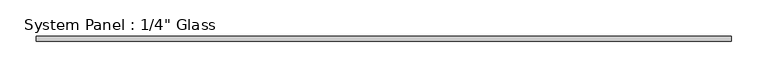
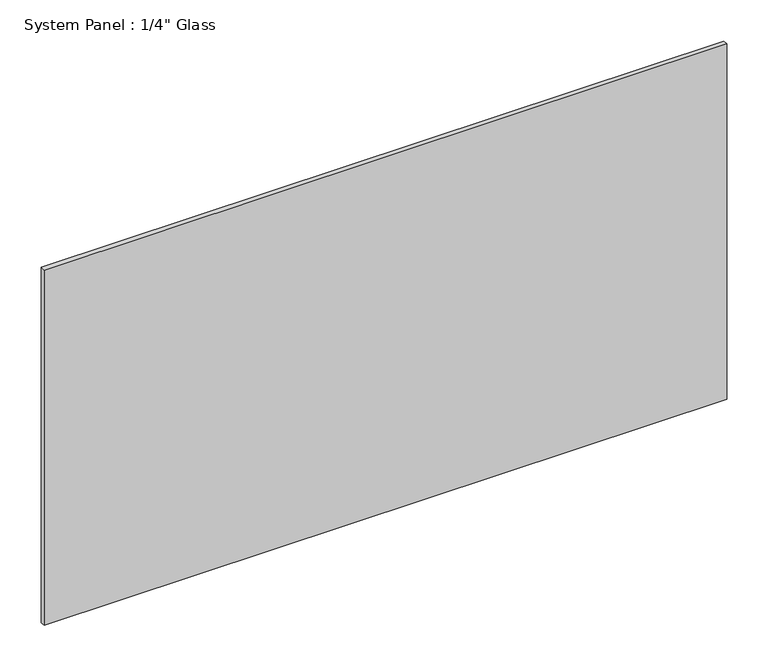
"""IFC4 building model written with IfcOpenShell, lengths in millimetres: plate geometry."""

import ifcopenshell
import ifcopenshell.guid

model = None  # the IFC model being written
_history = None  # IfcOwnerHistory: only IFC2X3 demands one
_inside = {}  # id of a spatial element -> (the spatial element, [elements in it])
_under = {}  # id of a project, library or spatial element -> (it, [spatial elements below it])
_declared = {}  # id of a project -> (the project, [libraries it declares])
_typed = {}  # id of a type object -> (the type object, [elements of that type])
_made_of = {}  # id of a material, layer set ... -> (it, [elements and type objects made of it])


def new_model(schema):
    """Start an empty IFC model of exactly this schema.

    Asked for "IFC4X3", IfcOpenShell would pick the latest addendum, in which some entities
    have other attributes; the version numbers below select the first issue.
    IFC2X3 requires an IfcOwnerHistory on every rooted entity: one is made here for all.
    """
    global model, _history
    if schema == "IFC4X3":
        model = ifcopenshell.file(schema_version=(4, 3, 0, 0))
    else:
        model = ifcopenshell.file(schema=schema)
    _inside.clear()
    _under.clear()
    _declared.clear()
    _typed.clear()
    _made_of.clear()
    _history = None
    if model.schema == "IFC2X3":
        org = make("IfcOrganization", Name="unknown")
        user = make(
            "IfcPersonAndOrganization",
            ThePerson=make("IfcPerson", FamilyName="unknown"),
            TheOrganization=org,
        )
        app = make(
            "IfcApplication",
            ApplicationDeveloper=org,
            Version="unknown",
            ApplicationFullName="unknown",
            ApplicationIdentifier="unknown",
        )
        _history = make(
            "IfcOwnerHistory",
            OwningUser=user,
            OwningApplication=app,
            ChangeAction="ADDED",
            CreationDate=0,
        )
    return model


def make(cls, **values):
    """One entity of the class cls with the attributes given. An attribute that is None is left unset."""
    return model.create_entity(
        cls, **{name: value for name, value in values.items() if value is not None}
    )


def rooted(cls, **values):
    """An entity with a GlobalId (a new one), such as an element, a storey or a relation."""
    return make(cls, GlobalId=ifcopenshell.guid.new(), OwnerHistory=_history, **values)


def si_unit(unit_type, name, prefix=None):
    """IfcSIUnit, for example si_unit("LENGTHUNIT", "METRE", prefix="MILLI")."""
    return make("IfcSIUnit", UnitType=unit_type, Prefix=prefix, Name=name)


def assignment(units):
    """IfcUnitAssignment: the units of a project."""
    return None if units is None else make("IfcUnitAssignment", Units=units)


def point(xyz):
    """IfcCartesianPoint."""
    return None if xyz is None else make("IfcCartesianPoint", Coordinates=xyz)


def direction(xyz):
    """IfcDirection."""
    return None if xyz is None else make("IfcDirection", DirectionRatios=xyz)


def frame(location, z_axis=None, x_axis=None):
    """IfcAxis2Placement3D, a coordinate frame: its origin and axes. An axis left out is left unset."""
    return make(
        "IfcAxis2Placement3D",
        Location=point(location),
        Axis=direction(z_axis),
        RefDirection=direction(x_axis),
    )


def origin():
    """The frame at (0, 0, 0) with its axes left unset."""
    return frame((0.0, 0.0, 0.0))


def origin_with_axes():
    """The frame at (0, 0, 0) with the z axis (0, 0, 1) and the x axis (1, 0, 0) written out."""
    return frame((0.0, 0.0, 0.0), z_axis=(0.0, 0.0, 1.0), x_axis=(1.0, 0.0, 0.0))


def place(relative_to, where):
    """IfcLocalPlacement: puts the frame where relative to a parent placement (None: the world)."""
    return make(
        "IfcLocalPlacement", PlacementRelTo=relative_to, RelativePlacement=where
    )


def context(
    kind, dimensions, precision=None, world=None, true_north=None, identifier=None
):
    """IfcGeometricRepresentationContext, for example the 3D "Model" context."""
    return make(
        "IfcGeometricRepresentationContext",
        ContextIdentifier=identifier,
        ContextType=kind,
        CoordinateSpaceDimension=dimensions,
        Precision=precision,
        WorldCoordinateSystem=world,
        TrueNorth=true_north,
    )


def project(units=None, contexts=None):
    """IfcProject with its units and contexts."""
    return rooted(
        "IfcProject",
        Name="project",
        RepresentationContexts=contexts,
        UnitsInContext=assignment(units),
    )


def spatial(cls, under=None, at=None, **own):
    """A site, building, storey or space (cls), placed at a placement, below another one or the project."""
    s = rooted(cls, ObjectPlacement=at, **own)
    if under is not None:
        _under.setdefault(under.id(), (under, []))[1].append(s)
    return s


def polyline(points):
    """IfcPolyline through the points."""
    return make("IfcPolyline", Points=[point(p) for p in points])


def outline(outer, holes=None, kind="AREA"):
    """IfcArbitraryClosedProfileDef: a profile drawn as a closed curve; with holes, ...WithVoids."""
    if holes is None:
        return make("IfcArbitraryClosedProfileDef", ProfileType=kind, OuterCurve=outer)
    return make(
        "IfcArbitraryProfileDefWithVoids",
        ProfileType=kind,
        OuterCurve=outer,
        InnerCurves=holes,
    )


def extrude(swept, where, along, depth):
    """IfcExtrudedAreaSolid: the profile swept, set in the frame where, extruded along a direction by depth."""
    return make(
        "IfcExtrudedAreaSolid",
        SweptArea=swept,
        Position=where,
        ExtrudedDirection=direction(along),
        Depth=depth,
    )


def shape(context_of_items, identifier, shape_type, items):
    """IfcShapeRepresentation: the items that make up one representation, for example the "Body"."""
    return make(
        "IfcShapeRepresentation",
        ContextOfItems=context_of_items,
        RepresentationIdentifier=identifier,
        RepresentationType=shape_type,
        Items=items,
    )


def source(mapping_origin, context_of_items, identifier, shape_type, items):
    """IfcRepresentationMap: a shape defined once, which mapped items show again and again."""
    return make(
        "IfcRepresentationMap",
        MappingOrigin=mapping_origin,
        MappedRepresentation=shape(context_of_items, identifier, shape_type, items),
    )


def transform(
    local_origin,
    x_axis=None,
    y_axis=None,
    z_axis=None,
    scale=None,
    scale2=None,
    scale3=None,
    uniform=True,
):
    """IfcCartesianTransformationOperator3D, or its non-uniform kind. x_axis, y_axis, z_axis: its Axis1, 2, 3."""
    if uniform:
        return make(
            "IfcCartesianTransformationOperator3D",
            Axis1=direction(x_axis),
            Axis2=direction(y_axis),
            LocalOrigin=point(local_origin),
            Scale=scale,
            Axis3=direction(z_axis),
        )
    return make(
        "IfcCartesianTransformationOperator3DnonUniform",
        Axis1=direction(x_axis),
        Axis2=direction(y_axis),
        LocalOrigin=point(local_origin),
        Scale=scale,
        Axis3=direction(z_axis),
        Scale2=scale2,
        Scale3=scale3,
    )


def mapped(mapping_source, mapping_target):
    """IfcMappedItem: shows the shape of a source again, moved by a transform."""
    return make(
        "IfcMappedItem", MappingSource=mapping_source, MappingTarget=mapping_target
    )


def made_of(thing, what):
    """Note that an element or type object is made of a material, layer set ...; save() writes the relation."""
    if what is not None:
        _made_of.setdefault(what.id(), (what, []))[1].append(thing)
    return thing


def element(
    cls,
    number,
    at=None,
    inside=None,
    cuts=None,
    type_object=None,
    material=None,
    context=None,
    identifier="Body",
    shape_type=None,
    held_by="IfcProductDefinitionShape",
    body=None,
    shapes=None,
    **own,
):
    """One element of the class cls, such as IfcWall. Its Tag is "e" and its number.

    at: its placement. inside: the storey or other place that contains it. cuts: it is an
    opening in that element (IfcRelVoidsElement). A single representation is given by context,
    identifier, shape_type and body (its items); several are given by shapes. held_by: the class
    of the entity that holds the representations. save() writes the other relations.
    """
    e = rooted(cls, Tag="e%d" % number, ObjectPlacement=at, **own)
    if body is not None:
        shapes = [shape(context, identifier, shape_type, body)]
    if shapes is not None:
        e.Representation = make(held_by, Representations=shapes)
    if inside is not None:
        _inside.setdefault(inside.id(), (inside, []))[1].append(e)
    if cuts is not None:
        rooted(
            "IfcRelVoidsElement", RelatingBuildingElement=cuts, RelatedOpeningElement=e
        )
    if type_object is not None:
        _typed.setdefault(type_object.id(), (type_object, []))[1].append(e)
    return made_of(e, material)


def aggregate(whole, parts):
    """IfcRelAggregates: a whole, such as a stair, and the parts it consists of."""
    return rooted("IfcRelAggregates", RelatingObject=whole, RelatedObjects=parts)


def save(model, path):
    """Write the relations noted so far, then the file.

    IfcRelAggregates (storeys below a building ...), IfcRelContainedInSpatialStructure (elements
    in a storey), IfcRelDefinesByType, IfcRelAssociatesMaterial and IfcRelDeclares: one each for
    every whole, place, type object, material and project.
    """
    for whole, parts in _under.values():
        aggregate(whole, parts)
    for where, things in _inside.values():
        rooted(
            "IfcRelContainedInSpatialStructure",
            RelatedElements=things,
            RelatingStructure=where,
        )
    for kind, things in _typed.values():
        rooted("IfcRelDefinesByType", RelatedObjects=things, RelatingType=kind)
    for what, things in _made_of.values():
        rooted("IfcRelAssociatesMaterial", RelatedObjects=things, RelatingMaterial=what)
    for by, libraries in _declared.values():
        rooted("IfcRelDeclares", RelatingContext=by, RelatedDefinitions=libraries)
    model.write(path)


def plate_d739b87f(model_context):
    return source(origin(), model_context, "Body", "SweptSolid", [
        extrude(outline(polyline([(476.25, -3.175), (-476.25, -3.175), (-476.25, 3.175), (476.25, 3.175), (476.25, -3.175)])), origin_with_axes(), (0.0, 0.0, 1.0), 523.875),
    ])


if __name__ == "__main__":
    model = new_model("IFC4")
    model_context = context("Model", 3, world=origin())
    ifc_project = project(units=[si_unit("LENGTHUNIT", "METRE", prefix="MILLI")], contexts=[model_context])
    site = spatial("IfcSite", under=ifc_project)
    building = spatial("IfcBuilding", under=site)
    placement = place(None, origin())
    plate_shape = plate_d739b87f(model_context)
    element("IfcPlate", 1, ObjectType="System Panel : 1/4\" Glass", at=placement, inside=building, context=model_context, shape_type="MappedRepresentation", body=[
        mapped(plate_shape, transform((0.0, 0.0, 0.0), x_axis=(1.0, 0.0, 0.0), y_axis=(0.0, 1.0, 0.0), z_axis=(0.0, 0.0, 1.0))),
    ])
    save(model, "model.ifc")
